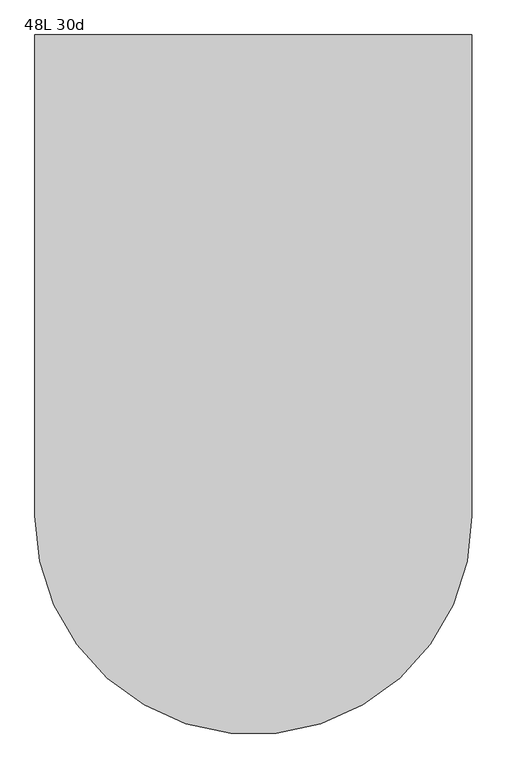
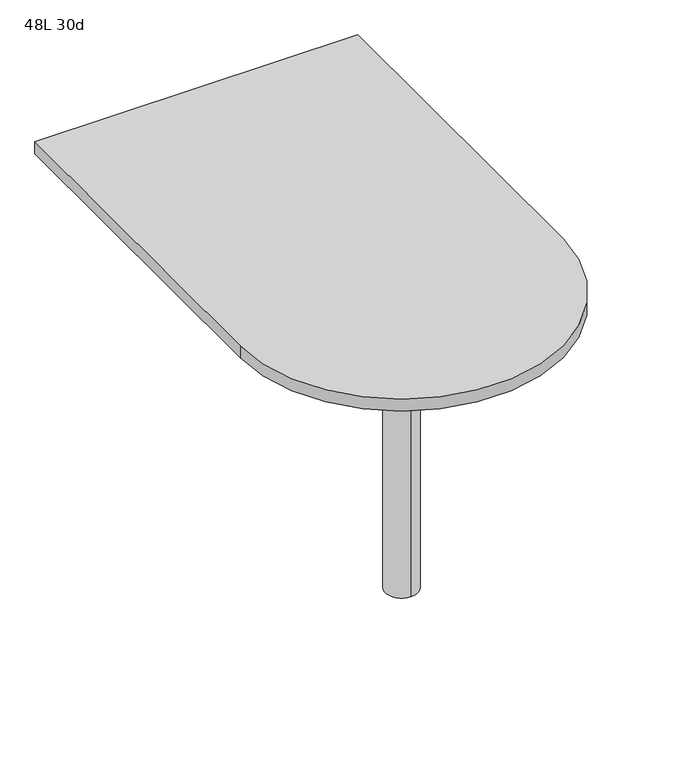
"""IFC4 building model written with IfcOpenShell, lengths in millimetres: furniture geometry, 48L 30d."""

from ifc_helpers import new_model, si_unit, point, frame, frame_2d, origin, place, context, project, spatial, polyline, circle_curve, trimmed, segment, composite_curve, outline, extrude, source, transform, mapped, element, save
from ifc_brep_helpers import plane_surface, cylinder_surface, advanced_brep


def furniture_48l_30d_589ce341(model_context):
    return source(origin(), model_context, "Body", "SolidModel", [
        advanced_brep(
        [(0.0, -190.5, 706.4375), (0.0, -266.7, 706.4375), (0.0, -228.6, 706.4375), (0.0, -190.5, 0.0), (0.0, -266.7, 0.0), (0.0, -228.6, 0.0)],
        [
            (0, 1, circle_curve(frame((0.0, -228.6, 706.4375), z_axis=(0.0, 0.0, 1.0), x_axis=(0.0, -1.0, 0.0)), 38.1)),
            (1, 2),
            (2, 0),
            (1, 0, circle_curve(frame((0.0, -228.6, 706.4375), z_axis=(0.0, 0.0, 1.0), x_axis=(0.0, -1.0, 0.0)), 38.1)),
            (3, 4, circle_curve(frame((0.0, -228.6, 0.0), z_axis=(0.0, 0.0, 1.0), x_axis=(0.0, -1.0, 0.0)), 38.1)),
            (4, 1),
            (0, 3),
            (4, 3, circle_curve(frame((0.0, -228.6, 0.0), z_axis=(0.0, 0.0, 1.0), x_axis=(0.0, -1.0, 0.0)), 38.1)),
            (5, 4),
            (3, 5),
        ],
        [
            plane_surface(frame((0.0, -228.6, 706.4375), z_axis=(0.0, 0.0, 1.0), x_axis=(0.0, -1.0, 0.0))),
            cylinder_surface(frame((0.0, -228.6, 889.623257), z_axis=(0.0, 0.0, -1.0), x_axis=(0.0, -1.0, 0.0)), 38.1),
            plane_surface(frame((0.0, -228.6, 0.0), z_axis=(0.0, 0.0, -1.0), x_axis=(0.0, -1.0, 0.0))),
        ],
        [
            (0, [[1, 2, 3]]),
            (0, [[4, -3, -2]]),
            (1, [[5, 6, -1, 7]]),
            (1, [[8, -7, -4, -6]]),
            (2, [[9, -5, 10]]),
            (2, [[-10, -8, -9]]),
        ],
    ),
        extrude(outline(composite_curve([segment(polyline([(-381.0, -228.6), (-381.0, 609.6), (381.0, 609.6), (381.0, -228.6)]), True, "CONTINUOUS"), segment(trimmed(circle_curve(frame_2d((0.0, -228.6)), 381.0), [point((381.0, -228.6))], [point((-381.0, -228.6))], False, "CARTESIAN"), True, "CONTINUOUS")], self_intersect=False)), frame((0.0, 0.0, 706.4375), z_axis=(0.0, 0.0, 1.0), x_axis=(1.0, 0.0, 0.0)), (0.0, 0.0, 1.0), 30.1625),
    ])


if __name__ == "__main__":
    model = new_model("IFC4")
    model_context = context("Model", 3, world=origin())
    ifc_project = project(units=[si_unit("LENGTHUNIT", "METRE", prefix="MILLI")], contexts=[model_context])
    site = spatial("IfcSite", under=ifc_project)
    building = spatial("IfcBuilding", under=site)
    placement = place(None, origin())
    furniture_48l_30d_shape = furniture_48l_30d_589ce341(model_context)
    element("IfcFurniture", 1, ObjectType="48L 30d", at=placement, inside=building, context=model_context, shape_type="MappedRepresentation", body=[
        mapped(furniture_48l_30d_shape, transform((0.0, 0.0, 0.0), x_axis=(1.0, 0.0, 0.0), y_axis=(0.0, 1.0, 0.0), z_axis=(0.0, 0.0, 1.0))),
    ])
    save(model, "model.ifc")
